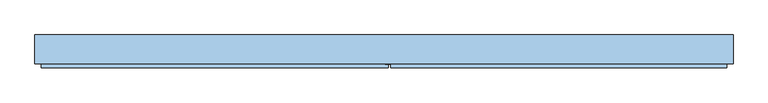
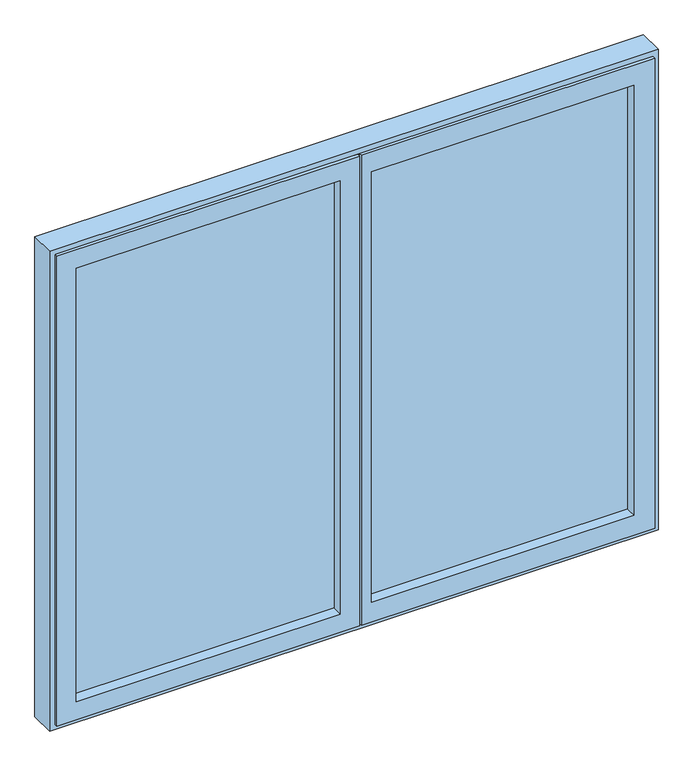
"""IFC4 building model written with IfcOpenShell, lengths in millimetres: window geometry."""

from ifc_helpers import new_model, si_unit, frame, origin, place, context, project, spatial, polyline, outline, extrude, faceted_brep, source, transform, mapped, element, save


def window_d1624474(model_context):
    return source(origin(), model_context, "Body", "SolidModel", [
        faceted_brep([(46.653367, -32.75, 2384.0), (884.0, -32.75, 2384.0), (884.0, -32.75, 916.0), (46.653367, -32.75, 916.0), (46.653367, -32.75, 935.5), (864.5, -32.75, 935.5), (864.5, -32.75, 2364.5), (46.653367, -32.75, 2364.5), (884.0, -42.25, 2384.0), (884.0, -42.25, 916.0), (16.853367, -42.25, 916.0), (16.853367, -32.75, 916.0), (2.61, -32.75, 916.0), (2.61, 37.25, 916.0), (-40.94, 37.25, 916.0), (-40.94, 41.75, 916.0), (41.86, 41.75, 916.0), (41.86, 37.25, 916.0), (46.653367, 37.25, 916.0), (46.653367, 37.25, 2384.0), (46.653367, 36.75, 2364.5), (46.653367, 36.75, 2322.0), (46.653367, -42.25, 2322.0), (46.653367, -42.25, 978.0), (46.653367, 36.75, 978.0), (46.653367, 36.75, 935.5), (864.5, 36.75, 935.5), (864.5, 36.75, 2364.5), (822.0, 36.75, 978.0), (822.0, 36.75, 2322.0), (822.0, -42.25, 978.0), (822.0, -42.25, 2322.0), (16.853367, -42.25, 2384.0), (16.853367, -32.75, 2384.0), (2.61, -32.75, 2384.0), (2.61, 37.25, 2384.0), (-40.94, 37.25, 2384.0), (-40.94, 41.75, 2384.0), (41.86, 41.75, 2384.0), (41.86, 37.25, 2384.0)], [[[0, 1, 2, 3, 4, 5, 6, 7]], [[1, 8, 9, 2]], [[3, 2, 9, 10, 11, 12, 13, 14, 15, 16, 17, 18]], [[18, 19, 0, 7, 20, 21, 22, 23, 24, 25, 4, 3]], [[5, 4, 25, 26]], [[6, 5, 26, 27]], [[20, 27, 26, 25, 24, 28, 29, 21]], [[28, 24, 23, 30]], [[29, 28, 30, 31]], [[8, 32, 10, 9], [30, 23, 22, 31]], [[32, 33, 11, 10]], [[33, 34, 12, 11]], [[34, 35, 13, 12]], [[35, 36, 14, 13]], [[36, 37, 15, 14]], [[37, 38, 16, 15]], [[38, 39, 17, 16]], [[39, 19, 18, 17]], [[8, 1, 0, 19, 39, 38, 37, 36, 35, 34, 33, 32]], [[7, 6, 27, 20]], [[21, 29, 31, 22]]]),
        extrude(outline(polyline([(822.0, -10.7), (46.653367, -10.7), (46.653367, 28.3), (822.0, 28.3), (822.0, -10.7)])), frame((0.0, 0.0, 978.0), z_axis=(0.0, 0.0, 1.0), x_axis=(1.0, 0.0, 0.0)), (0.0, 0.0, 1.0), 1344.0),
        extrude(outline(polyline([(-46.1, -10.7), (-827.0, -10.7), (-827.0, 28.3), (-46.1, 28.3), (-46.1, -10.7)])), frame((0.0, 0.0, 973.0), z_axis=(0.0, 0.0, 1.0), x_axis=(1.0, 0.0, 0.0)), (0.0, 0.0, 1.0), 1354.0),
        faceted_brep([(-884.0, -42.25, 916.0), (-884.0, -32.75, 916.0), (10.9, -32.75, 916.0), (10.9, -42.25, 916.0), (10.9, -32.75, 2384.0), (10.9, -42.25, 2384.0), (-884.0, -32.75, 2384.0), (-8.6, -32.75, 2364.5), (-864.5, -32.75, 2364.5), (-864.5, -32.75, 935.5), (-8.6, -32.75, 935.5), (-884.0, -42.25, 2384.0), (-46.1, -42.25, 973.0), (-827.0, -42.25, 973.0), (-827.0, -42.25, 2327.0), (-46.1, -42.25, 2327.0), (-827.0, 36.75, 973.0), (-46.1, 36.75, 973.0), (-46.1, 36.75, 2327.0), (-8.6, 36.75, 935.5), (-864.5, 36.75, 935.5), (-864.5, 36.75, 2364.5), (-8.6, 36.75, 2364.5), (-827.0, 36.75, 2327.0)], [[[0, 1, 2, 3]], [[3, 2, 4, 5]], [[2, 1, 6, 4], [7, 8, 9, 10]], [[5, 11, 0, 3], [12, 13, 14, 15]], [[16, 13, 12, 17]], [[17, 12, 15, 18]], [[19, 20, 21, 22], [18, 23, 16, 17]], [[9, 20, 19, 10]], [[10, 19, 22, 7]], [[11, 6, 1, 0]], [[23, 14, 13, 16]], [[8, 21, 20, 9]], [[5, 4, 6, 11]], [[18, 15, 14, 23]], [[7, 22, 21, 8]]]),
        faceted_brep([(-876.0, 37.25, 924.0), (-876.0, -32.75, 924.0), (876.0, -32.75, 924.0), (876.0, 37.25, 924.0), (876.0, -32.75, 2376.0), (876.0, 37.25, 2376.0), (900.0, -32.75, 2400.0), (-900.0, -32.75, 2400.0), (-900.0, -32.75, 900.0), (900.0, -32.75, 900.0), (-876.0, -32.75, 2376.0), (-876.0, 37.25, 2376.0), (832.0, 37.25, 968.0), (-832.0, 37.25, 968.0), (-832.0, 37.25, 2332.0), (832.0, 37.25, 2332.0), (-832.0, 42.25, 968.0), (832.0, 42.25, 968.0), (832.0, 42.25, 2332.0), (900.0, 42.25, 900.0), (-900.0, 42.25, 900.0), (-900.0, 42.25, 2400.0), (900.0, 42.25, 2400.0), (-832.0, 42.25, 2332.0)], [[[0, 1, 2, 3]], [[3, 2, 4, 5]], [[6, 7, 8, 9], [2, 1, 10, 4]], [[5, 11, 0, 3], [12, 13, 14, 15]], [[16, 13, 12, 17]], [[17, 12, 15, 18]], [[19, 20, 21, 22], [18, 23, 16, 17]], [[19, 22, 6, 9]], [[8, 20, 19, 9]], [[11, 10, 1, 0]], [[23, 14, 13, 16]], [[7, 21, 20, 8]], [[5, 4, 10, 11]], [[18, 15, 14, 23]], [[6, 22, 21, 7]]]),
    ])


if __name__ == "__main__":
    model = new_model("IFC4")
    model_context = context("Model", 3, world=origin())
    ifc_project = project(units=[si_unit("LENGTHUNIT", "METRE", prefix="MILLI")], contexts=[model_context])
    site = spatial("IfcSite", under=ifc_project)
    building = spatial("IfcBuilding", under=site)
    placement = place(None, origin())
    window_shape = window_d1624474(model_context)
    element("IfcWindow", 1, at=placement, inside=building, context=model_context, shape_type="MappedRepresentation", body=[
        mapped(window_shape, transform((0.0, 0.0, 0.0), x_axis=(1.0, 0.0, 0.0), y_axis=(0.0, 1.0, 0.0), z_axis=(0.0, 0.0, 1.0))),
    ])
    save(model, "model.ifc")
